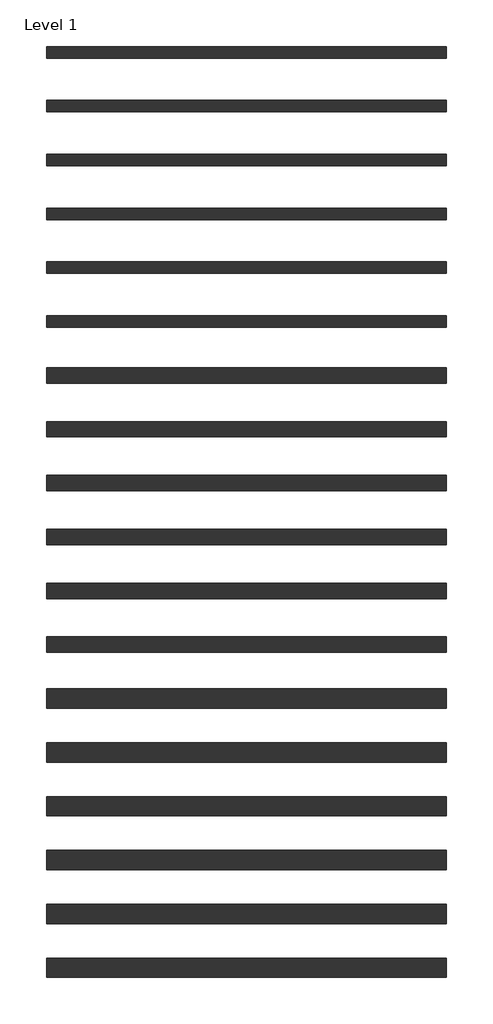
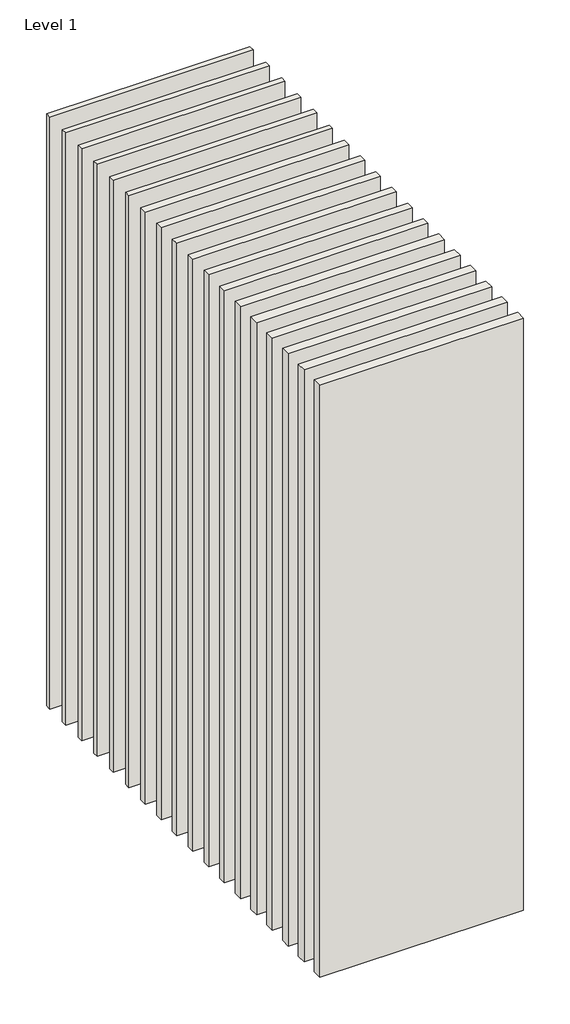
# One storey: 18 walls.
"""IFC4 building model written with IfcOpenShell, lengths in millimetres."""

import ifcopenshell
import ifcopenshell.guid

model = None  # the IFC model being written
_history = None  # IfcOwnerHistory: only IFC2X3 demands one
_inside = {}  # id of a spatial element -> (the spatial element, [elements in it])
_under = {}  # id of a project, library or spatial element -> (it, [spatial elements below it])
_declared = {}  # id of a project -> (the project, [libraries it declares])
_typed = {}  # id of a type object -> (the type object, [elements of that type])
_made_of = {}  # id of a material, layer set ... -> (it, [elements and type objects made of it])


def new_model(schema):
    """Start an empty IFC model of exactly this schema.

    Asked for "IFC4X3", IfcOpenShell would pick the latest addendum, in which some entities
    have other attributes; the version numbers below select the first issue.
    IFC2X3 requires an IfcOwnerHistory on every rooted entity: one is made here for all.
    """
    global model, _history
    if schema == "IFC4X3":
        model = ifcopenshell.file(schema_version=(4, 3, 0, 0))
    else:
        model = ifcopenshell.file(schema=schema)
    _inside.clear()
    _under.clear()
    _declared.clear()
    _typed.clear()
    _made_of.clear()
    _history = None
    if model.schema == "IFC2X3":
        org = make("IfcOrganization", Name="unknown")
        user = make(
            "IfcPersonAndOrganization",
            ThePerson=make("IfcPerson", FamilyName="unknown"),
            TheOrganization=org,
        )
        app = make(
            "IfcApplication",
            ApplicationDeveloper=org,
            Version="unknown",
            ApplicationFullName="unknown",
            ApplicationIdentifier="unknown",
        )
        _history = make(
            "IfcOwnerHistory",
            OwningUser=user,
            OwningApplication=app,
            ChangeAction="ADDED",
            CreationDate=0,
        )
    return model


def make(cls, **values):
    """One entity of the class cls with the attributes given. An attribute that is None is left unset."""
    return model.create_entity(
        cls, **{name: value for name, value in values.items() if value is not None}
    )


def rooted(cls, **values):
    """An entity with a GlobalId (a new one), such as an element, a storey or a relation."""
    return make(cls, GlobalId=ifcopenshell.guid.new(), OwnerHistory=_history, **values)


def si_unit(unit_type, name, prefix=None):
    """IfcSIUnit, for example si_unit("LENGTHUNIT", "METRE", prefix="MILLI")."""
    return make("IfcSIUnit", UnitType=unit_type, Prefix=prefix, Name=name)


def assignment(units):
    """IfcUnitAssignment: the units of a project."""
    return None if units is None else make("IfcUnitAssignment", Units=units)


def point(xyz):
    """IfcCartesianPoint."""
    return None if xyz is None else make("IfcCartesianPoint", Coordinates=xyz)


def direction(xyz):
    """IfcDirection."""
    return None if xyz is None else make("IfcDirection", DirectionRatios=xyz)


def frame(location, z_axis=None, x_axis=None):
    """IfcAxis2Placement3D, a coordinate frame: its origin and axes. An axis left out is left unset."""
    return make(
        "IfcAxis2Placement3D",
        Location=point(location),
        Axis=direction(z_axis),
        RefDirection=direction(x_axis),
    )


def origin():
    """The frame at (0, 0, 0) with its axes left unset."""
    return frame((0.0, 0.0, 0.0))


def origin_with_axes():
    """The frame at (0, 0, 0) with the z axis (0, 0, 1) and the x axis (1, 0, 0) written out."""
    return frame((0.0, 0.0, 0.0), z_axis=(0.0, 0.0, 1.0), x_axis=(1.0, 0.0, 0.0))


def place(relative_to, where):
    """IfcLocalPlacement: puts the frame where relative to a parent placement (None: the world)."""
    return make(
        "IfcLocalPlacement", PlacementRelTo=relative_to, RelativePlacement=where
    )


def context(
    kind, dimensions, precision=None, world=None, true_north=None, identifier=None
):
    """IfcGeometricRepresentationContext, for example the 3D "Model" context."""
    return make(
        "IfcGeometricRepresentationContext",
        ContextIdentifier=identifier,
        ContextType=kind,
        CoordinateSpaceDimension=dimensions,
        Precision=precision,
        WorldCoordinateSystem=world,
        TrueNorth=true_north,
    )


def project(units=None, contexts=None):
    """IfcProject with its units and contexts."""
    return rooted(
        "IfcProject",
        Name="project",
        RepresentationContexts=contexts,
        UnitsInContext=assignment(units),
    )


def spatial(cls, under=None, at=None, **own):
    """A site, building, storey or space (cls), placed at a placement, below another one or the project."""
    s = rooted(cls, ObjectPlacement=at, **own)
    if under is not None:
        _under.setdefault(under.id(), (under, []))[1].append(s)
    return s


def polyline(points):
    """IfcPolyline through the points."""
    return make("IfcPolyline", Points=[point(p) for p in points])


def outline(outer, holes=None, kind="AREA"):
    """IfcArbitraryClosedProfileDef: a profile drawn as a closed curve; with holes, ...WithVoids."""
    if holes is None:
        return make("IfcArbitraryClosedProfileDef", ProfileType=kind, OuterCurve=outer)
    return make(
        "IfcArbitraryProfileDefWithVoids",
        ProfileType=kind,
        OuterCurve=outer,
        InnerCurves=holes,
    )


def extrude(swept, where, along, depth):
    """IfcExtrudedAreaSolid: the profile swept, set in the frame where, extruded along a direction by depth."""
    return make(
        "IfcExtrudedAreaSolid",
        SweptArea=swept,
        Position=where,
        ExtrudedDirection=direction(along),
        Depth=depth,
    )


def shape(context_of_items, identifier, shape_type, items):
    """IfcShapeRepresentation: the items that make up one representation, for example the "Body"."""
    return make(
        "IfcShapeRepresentation",
        ContextOfItems=context_of_items,
        RepresentationIdentifier=identifier,
        RepresentationType=shape_type,
        Items=items,
    )


def made_of(thing, what):
    """Note that an element or type object is made of a material, layer set ...; save() writes the relation."""
    if what is not None:
        _made_of.setdefault(what.id(), (what, []))[1].append(thing)
    return thing


def element(
    cls,
    number,
    at=None,
    inside=None,
    cuts=None,
    type_object=None,
    material=None,
    context=None,
    identifier="Body",
    shape_type=None,
    held_by="IfcProductDefinitionShape",
    body=None,
    shapes=None,
    **own,
):
    """One element of the class cls, such as IfcWall. Its Tag is "e" and its number.

    at: its placement. inside: the storey or other place that contains it. cuts: it is an
    opening in that element (IfcRelVoidsElement). A single representation is given by context,
    identifier, shape_type and body (its items); several are given by shapes. held_by: the class
    of the entity that holds the representations. save() writes the other relations.
    """
    e = rooted(cls, Tag="e%d" % number, ObjectPlacement=at, **own)
    if body is not None:
        shapes = [shape(context, identifier, shape_type, body)]
    if shapes is not None:
        e.Representation = make(held_by, Representations=shapes)
    if inside is not None:
        _inside.setdefault(inside.id(), (inside, []))[1].append(e)
    if cuts is not None:
        rooted(
            "IfcRelVoidsElement", RelatingBuildingElement=cuts, RelatedOpeningElement=e
        )
    if type_object is not None:
        _typed.setdefault(type_object.id(), (type_object, []))[1].append(e)
    return made_of(e, material)


def aggregate(whole, parts):
    """IfcRelAggregates: a whole, such as a stair, and the parts it consists of."""
    return rooted("IfcRelAggregates", RelatingObject=whole, RelatedObjects=parts)


def save(model, path):
    """Write the relations noted so far, then the file.

    IfcRelAggregates (storeys below a building ...), IfcRelContainedInSpatialStructure (elements
    in a storey), IfcRelDefinesByType, IfcRelAssociatesMaterial and IfcRelDeclares: one each for
    every whole, place, type object, material and project.
    """
    for whole, parts in _under.values():
        aggregate(whole, parts)
    for where, things in _inside.values():
        rooted(
            "IfcRelContainedInSpatialStructure",
            RelatedElements=things,
            RelatingStructure=where,
        )
    for kind, things in _typed.values():
        rooted("IfcRelDefinesByType", RelatedObjects=things, RelatingType=kind)
    for what, things in _made_of.values():
        rooted("IfcRelAssociatesMaterial", RelatedObjects=things, RelatingMaterial=what)
    for by, libraries in _declared.values():
        rooted("IfcRelDeclares", RelatingContext=by, RelatedDefinitions=libraries)
    model.write(path)


model = new_model("IFC4")

# Units and contexts
model_context = context("Model", 3, world=origin())
ifc_project = project(units=[si_unit("LENGTHUNIT", "METRE", prefix="MILLI")], contexts=[model_context])

# Site, building, storey
site = spatial("IfcSite", under=ifc_project)
building = spatial("IfcBuilding", under=site)
storey = spatial("IfcBuildingStorey", under=building, Name="Level 1", Elevation=0.0)

# Walls
placement = place(None, origin())
element("IfcWall", 1, at=placement, inside=storey, context=model_context, shape_type="SweptSolid", body=[
    extrude(outline(polyline([(-16904.1464237, 3700.0198817), (-19504.1464237, 3700.0198817), (-19504.1464237, 3775.0198817), (-16904.1464237, 3775.0198817), (-16904.1464237, 3700.0198817)])), origin_with_axes(), (0.0, 0.0, 1.0), 8000.0),
])
element("IfcWall", 2, at=placement, inside=storey, context=model_context, shape_type="SweptSolid", body=[
    extrude(outline(polyline([(-16904.1464237, 3350.0198817), (-19504.1464237, 3350.0198817), (-19504.1464237, 3425.0198817), (-16904.1464237, 3425.0198817), (-16904.1464237, 3350.0198817)])), origin_with_axes(), (0.0, 0.0, 1.0), 8000.0),
])
element("IfcWall", 3, at=placement, inside=storey, context=model_context, shape_type="SweptSolid", body=[
    extrude(outline(polyline([(-16904.1464237, 3000.0198817), (-19504.1464237, 3000.0198817), (-19504.1464237, 3075.0198817), (-16904.1464237, 3075.0198817), (-16904.1464237, 3000.0198817)])), origin_with_axes(), (0.0, 0.0, 1.0), 8000.0),
])
element("IfcWall", 4, at=placement, inside=storey, context=model_context, shape_type="SweptSolid", body=[
    extrude(outline(polyline([(-16904.1464237, 2650.0198817), (-19504.1464237, 2650.0198817), (-19504.1464237, 2725.0198817), (-16904.1464237, 2725.0198817), (-16904.1464237, 2650.0198817)])), origin_with_axes(), (0.0, 0.0, 1.0), 8000.0),
])
element("IfcWall", 5, at=placement, inside=storey, context=model_context, shape_type="SweptSolid", body=[
    extrude(outline(polyline([(-16904.1464237, 2300.0198817), (-19504.1464237, 2300.0198817), (-19504.1464237, 2375.0198817), (-16904.1464237, 2375.0198817), (-16904.1464237, 2300.0198817)])), origin_with_axes(), (0.0, 0.0, 1.0), 8000.0),
])
element("IfcWall", 6, at=placement, inside=storey, context=model_context, shape_type="SweptSolid", body=[
    extrude(outline(polyline([(-16904.1464237, 1950.0198817), (-19504.1464237, 1950.0198817), (-19504.1464237, 2025.0198817), (-16904.1464237, 2025.0198817), (-16904.1464237, 1950.0198817)])), origin_with_axes(), (0.0, 0.0, 1.0), 8000.0),
])
element("IfcWall", 7, at=placement, inside=storey, context=model_context, shape_type="SweptSolid", body=[
    extrude(outline(polyline([(-16904.1464237, 1587.5198817), (-19504.1464237, 1587.5198817), (-19504.1464237, 1687.5198817), (-16904.1464237, 1687.5198817), (-16904.1464237, 1587.5198817)])), origin_with_axes(), (0.0, 0.0, 1.0), 8000.0),
])
element("IfcWall", 8, at=placement, inside=storey, context=model_context, shape_type="SweptSolid", body=[
    extrude(outline(polyline([(-16904.1464237, 1237.5198817), (-19504.1464237, 1237.5198817), (-19504.1464237, 1337.5198817), (-16904.1464237, 1337.5198817), (-16904.1464237, 1237.5198817)])), origin_with_axes(), (0.0, 0.0, 1.0), 8000.0),
])
element("IfcWall", 9, at=placement, inside=storey, context=model_context, shape_type="SweptSolid", body=[
    extrude(outline(polyline([(-16904.1464237, 887.5198817), (-19504.1464237, 887.5198817), (-19504.1464237, 987.5198817), (-16904.1464237, 987.5198817), (-16904.1464237, 887.5198817)])), origin_with_axes(), (0.0, 0.0, 1.0), 8000.0),
])
element("IfcWall", 10, at=placement, inside=storey, context=model_context, shape_type="SweptSolid", body=[
    extrude(outline(polyline([(-16904.1464237, 537.5198817), (-19504.1464237, 537.5198817), (-19504.1464237, 637.5198817), (-16904.1464237, 637.5198817), (-16904.1464237, 537.5198817)])), origin_with_axes(), (0.0, 0.0, 1.0), 8000.0),
])
element("IfcWall", 11, at=placement, inside=storey, context=model_context, shape_type="SweptSolid", body=[
    extrude(outline(polyline([(-16904.1464237, 187.5198817), (-19504.1464237, 187.5198817), (-19504.1464237, 287.5198817), (-16904.1464237, 287.5198817), (-16904.1464237, 187.5198817)])), origin_with_axes(), (0.0, 0.0, 1.0), 8000.0),
])
element("IfcWall", 12, at=placement, inside=storey, context=model_context, shape_type="SweptSolid", body=[
    extrude(outline(polyline([(-16904.1464237, -162.4801183), (-19504.1464237, -162.4801183), (-19504.1464237, -62.4801183), (-16904.1464237, -62.4801183), (-16904.1464237, -162.4801183)])), origin_with_axes(), (0.0, 0.0, 1.0), 8000.0),
])
element("IfcWall", 13, at=placement, inside=storey, context=model_context, shape_type="SweptSolid", body=[
    extrude(outline(polyline([(-16904.1464237, -524.9801183), (-19504.1464237, -524.9801183), (-19504.1464237, -399.9801183), (-16904.1464237, -399.9801183), (-16904.1464237, -524.9801183)])), origin_with_axes(), (0.0, 0.0, 1.0), 8000.0),
])
element("IfcWall", 14, at=placement, inside=storey, context=model_context, shape_type="SweptSolid", body=[
    extrude(outline(polyline([(-16904.1464237, -874.9801183), (-19504.1464237, -874.9801183), (-19504.1464237, -749.9801183), (-16904.1464237, -749.9801183), (-16904.1464237, -874.9801183)])), origin_with_axes(), (0.0, 0.0, 1.0), 8000.0),
])
element("IfcWall", 15, at=placement, inside=storey, context=model_context, shape_type="SweptSolid", body=[
    extrude(outline(polyline([(-16904.1464237, -1224.9801183), (-19504.1464237, -1224.9801183), (-19504.1464237, -1099.9801183), (-16904.1464237, -1099.9801183), (-16904.1464237, -1224.9801183)])), origin_with_axes(), (0.0, 0.0, 1.0), 8000.0),
])
element("IfcWall", 16, at=placement, inside=storey, context=model_context, shape_type="SweptSolid", body=[
    extrude(outline(polyline([(-16904.1464237, -1574.9801183), (-19504.1464237, -1574.9801183), (-19504.1464237, -1449.9801183), (-16904.1464237, -1449.9801183), (-16904.1464237, -1574.9801183)])), origin_with_axes(), (0.0, 0.0, 1.0), 8000.0),
])
element("IfcWall", 17, at=placement, inside=storey, context=model_context, shape_type="SweptSolid", body=[
    extrude(outline(polyline([(-16904.1464237, -1924.9801183), (-19504.1464237, -1924.9801183), (-19504.1464237, -1799.9801183), (-16904.1464237, -1799.9801183), (-16904.1464237, -1924.9801183)])), origin_with_axes(), (0.0, 0.0, 1.0), 8000.0),
])
element("IfcWall", 18, at=placement, inside=storey, context=model_context, shape_type="SweptSolid", body=[
    extrude(outline(polyline([(-16904.1464237, -2274.9801183), (-19504.1464237, -2274.9801183), (-19504.1464237, -2149.9801183), (-16904.1464237, -2149.9801183), (-16904.1464237, -2274.9801183)])), origin_with_axes(), (0.0, 0.0, 1.0), 8000.0),
])

save(model, "model.ifc")
